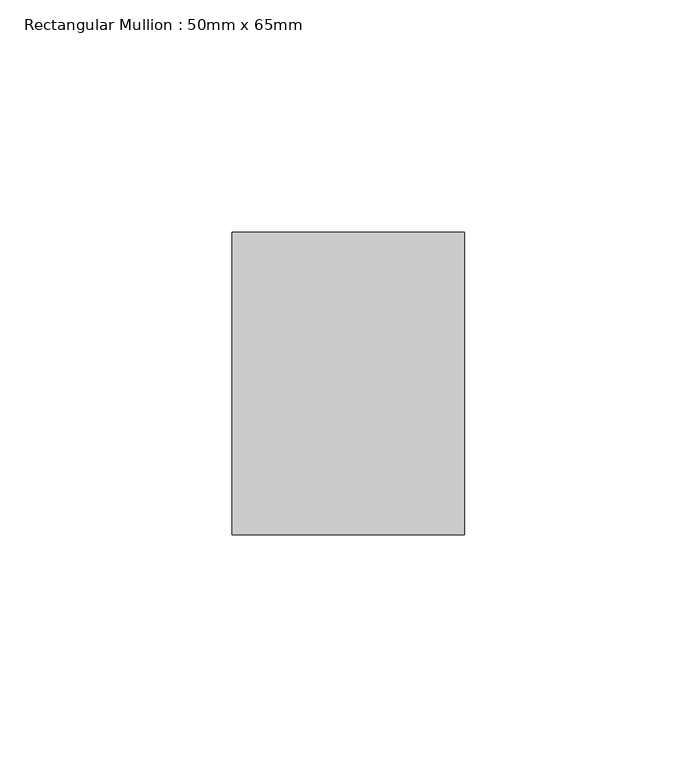
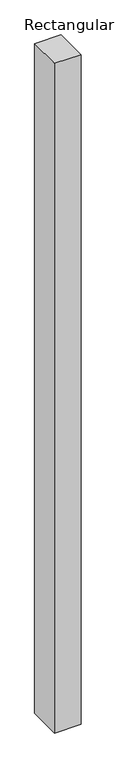
"""IFC4 building model written with IfcOpenShell, lengths in millimetres: member geometry, Rectangular Mullion : 50mm x 65mm."""

import ifcopenshell
import ifcopenshell.guid

model = None  # the IFC model being written
_history = None  # IfcOwnerHistory: only IFC2X3 demands one
_inside = {}  # id of a spatial element -> (the spatial element, [elements in it])
_under = {}  # id of a project, library or spatial element -> (it, [spatial elements below it])
_declared = {}  # id of a project -> (the project, [libraries it declares])
_typed = {}  # id of a type object -> (the type object, [elements of that type])
_made_of = {}  # id of a material, layer set ... -> (it, [elements and type objects made of it])


def new_model(schema):
    """Start an empty IFC model of exactly this schema.

    Asked for "IFC4X3", IfcOpenShell would pick the latest addendum, in which some entities
    have other attributes; the version numbers below select the first issue.
    IFC2X3 requires an IfcOwnerHistory on every rooted entity: one is made here for all.
    """
    global model, _history
    if schema == "IFC4X3":
        model = ifcopenshell.file(schema_version=(4, 3, 0, 0))
    else:
        model = ifcopenshell.file(schema=schema)
    _inside.clear()
    _under.clear()
    _declared.clear()
    _typed.clear()
    _made_of.clear()
    _history = None
    if model.schema == "IFC2X3":
        org = make("IfcOrganization", Name="unknown")
        user = make(
            "IfcPersonAndOrganization",
            ThePerson=make("IfcPerson", FamilyName="unknown"),
            TheOrganization=org,
        )
        app = make(
            "IfcApplication",
            ApplicationDeveloper=org,
            Version="unknown",
            ApplicationFullName="unknown",
            ApplicationIdentifier="unknown",
        )
        _history = make(
            "IfcOwnerHistory",
            OwningUser=user,
            OwningApplication=app,
            ChangeAction="ADDED",
            CreationDate=0,
        )
    return model


def make(cls, **values):
    """One entity of the class cls with the attributes given. An attribute that is None is left unset."""
    return model.create_entity(
        cls, **{name: value for name, value in values.items() if value is not None}
    )


def rooted(cls, **values):
    """An entity with a GlobalId (a new one), such as an element, a storey or a relation."""
    return make(cls, GlobalId=ifcopenshell.guid.new(), OwnerHistory=_history, **values)


def si_unit(unit_type, name, prefix=None):
    """IfcSIUnit, for example si_unit("LENGTHUNIT", "METRE", prefix="MILLI")."""
    return make("IfcSIUnit", UnitType=unit_type, Prefix=prefix, Name=name)


def assignment(units):
    """IfcUnitAssignment: the units of a project."""
    return None if units is None else make("IfcUnitAssignment", Units=units)


def point(xyz):
    """IfcCartesianPoint."""
    return None if xyz is None else make("IfcCartesianPoint", Coordinates=xyz)


def direction(xyz):
    """IfcDirection."""
    return None if xyz is None else make("IfcDirection", DirectionRatios=xyz)


def frame(location, z_axis=None, x_axis=None):
    """IfcAxis2Placement3D, a coordinate frame: its origin and axes. An axis left out is left unset."""
    return make(
        "IfcAxis2Placement3D",
        Location=point(location),
        Axis=direction(z_axis),
        RefDirection=direction(x_axis),
    )


def origin():
    """The frame at (0, 0, 0) with its axes left unset."""
    return frame((0.0, 0.0, 0.0))


def place(relative_to, where):
    """IfcLocalPlacement: puts the frame where relative to a parent placement (None: the world)."""
    return make(
        "IfcLocalPlacement", PlacementRelTo=relative_to, RelativePlacement=where
    )


def context(
    kind, dimensions, precision=None, world=None, true_north=None, identifier=None
):
    """IfcGeometricRepresentationContext, for example the 3D "Model" context."""
    return make(
        "IfcGeometricRepresentationContext",
        ContextIdentifier=identifier,
        ContextType=kind,
        CoordinateSpaceDimension=dimensions,
        Precision=precision,
        WorldCoordinateSystem=world,
        TrueNorth=true_north,
    )


def project(units=None, contexts=None):
    """IfcProject with its units and contexts."""
    return rooted(
        "IfcProject",
        Name="project",
        RepresentationContexts=contexts,
        UnitsInContext=assignment(units),
    )


def spatial(cls, under=None, at=None, **own):
    """A site, building, storey or space (cls), placed at a placement, below another one or the project."""
    s = rooted(cls, ObjectPlacement=at, **own)
    if under is not None:
        _under.setdefault(under.id(), (under, []))[1].append(s)
    return s


def polyline(points):
    """IfcPolyline through the points."""
    return make("IfcPolyline", Points=[point(p) for p in points])


def outline(outer, holes=None, kind="AREA"):
    """IfcArbitraryClosedProfileDef: a profile drawn as a closed curve; with holes, ...WithVoids."""
    if holes is None:
        return make("IfcArbitraryClosedProfileDef", ProfileType=kind, OuterCurve=outer)
    return make(
        "IfcArbitraryProfileDefWithVoids",
        ProfileType=kind,
        OuterCurve=outer,
        InnerCurves=holes,
    )


def extrude(swept, where, along, depth):
    """IfcExtrudedAreaSolid: the profile swept, set in the frame where, extruded along a direction by depth."""
    return make(
        "IfcExtrudedAreaSolid",
        SweptArea=swept,
        Position=where,
        ExtrudedDirection=direction(along),
        Depth=depth,
    )


def shape(context_of_items, identifier, shape_type, items):
    """IfcShapeRepresentation: the items that make up one representation, for example the "Body"."""
    return make(
        "IfcShapeRepresentation",
        ContextOfItems=context_of_items,
        RepresentationIdentifier=identifier,
        RepresentationType=shape_type,
        Items=items,
    )


def source(mapping_origin, context_of_items, identifier, shape_type, items):
    """IfcRepresentationMap: a shape defined once, which mapped items show again and again."""
    return make(
        "IfcRepresentationMap",
        MappingOrigin=mapping_origin,
        MappedRepresentation=shape(context_of_items, identifier, shape_type, items),
    )


def transform(
    local_origin,
    x_axis=None,
    y_axis=None,
    z_axis=None,
    scale=None,
    scale2=None,
    scale3=None,
    uniform=True,
):
    """IfcCartesianTransformationOperator3D, or its non-uniform kind. x_axis, y_axis, z_axis: its Axis1, 2, 3."""
    if uniform:
        return make(
            "IfcCartesianTransformationOperator3D",
            Axis1=direction(x_axis),
            Axis2=direction(y_axis),
            LocalOrigin=point(local_origin),
            Scale=scale,
            Axis3=direction(z_axis),
        )
    return make(
        "IfcCartesianTransformationOperator3DnonUniform",
        Axis1=direction(x_axis),
        Axis2=direction(y_axis),
        LocalOrigin=point(local_origin),
        Scale=scale,
        Axis3=direction(z_axis),
        Scale2=scale2,
        Scale3=scale3,
    )


def mapped(mapping_source, mapping_target):
    """IfcMappedItem: shows the shape of a source again, moved by a transform."""
    return make(
        "IfcMappedItem", MappingSource=mapping_source, MappingTarget=mapping_target
    )


def made_of(thing, what):
    """Note that an element or type object is made of a material, layer set ...; save() writes the relation."""
    if what is not None:
        _made_of.setdefault(what.id(), (what, []))[1].append(thing)
    return thing


def element(
    cls,
    number,
    at=None,
    inside=None,
    cuts=None,
    type_object=None,
    material=None,
    context=None,
    identifier="Body",
    shape_type=None,
    held_by="IfcProductDefinitionShape",
    body=None,
    shapes=None,
    **own,
):
    """One element of the class cls, such as IfcWall. Its Tag is "e" and its number.

    at: its placement. inside: the storey or other place that contains it. cuts: it is an
    opening in that element (IfcRelVoidsElement). A single representation is given by context,
    identifier, shape_type and body (its items); several are given by shapes. held_by: the class
    of the entity that holds the representations. save() writes the other relations.
    """
    e = rooted(cls, Tag="e%d" % number, ObjectPlacement=at, **own)
    if body is not None:
        shapes = [shape(context, identifier, shape_type, body)]
    if shapes is not None:
        e.Representation = make(held_by, Representations=shapes)
    if inside is not None:
        _inside.setdefault(inside.id(), (inside, []))[1].append(e)
    if cuts is not None:
        rooted(
            "IfcRelVoidsElement", RelatingBuildingElement=cuts, RelatedOpeningElement=e
        )
    if type_object is not None:
        _typed.setdefault(type_object.id(), (type_object, []))[1].append(e)
    return made_of(e, material)


def aggregate(whole, parts):
    """IfcRelAggregates: a whole, such as a stair, and the parts it consists of."""
    return rooted("IfcRelAggregates", RelatingObject=whole, RelatedObjects=parts)


def save(model, path):
    """Write the relations noted so far, then the file.

    IfcRelAggregates (storeys below a building ...), IfcRelContainedInSpatialStructure (elements
    in a storey), IfcRelDefinesByType, IfcRelAssociatesMaterial and IfcRelDeclares: one each for
    every whole, place, type object, material and project.
    """
    for whole, parts in _under.values():
        aggregate(whole, parts)
    for where, things in _inside.values():
        rooted(
            "IfcRelContainedInSpatialStructure",
            RelatedElements=things,
            RelatingStructure=where,
        )
    for kind, things in _typed.values():
        rooted("IfcRelDefinesByType", RelatedObjects=things, RelatingType=kind)
    for what, things in _made_of.values():
        rooted("IfcRelAssociatesMaterial", RelatedObjects=things, RelatingMaterial=what)
    for by, libraries in _declared.values():
        rooted("IfcRelDeclares", RelatingContext=by, RelatedDefinitions=libraries)
    model.write(path)


def rectangular_mullion_50mm_x_65mm_8e417aa2(model_context):
    return source(origin(), model_context, "Body", "SweptSolid", [
        extrude(outline(polyline([(25.0, 32.5), (25.0, -32.5), (-25.0, -32.5), (-25.0, 32.5), (25.0, 32.5)])), frame((0.0, 0.0, -1337.4795008), z_axis=(0.0, 0.0, 1.0), x_axis=(1.0, 0.0, 0.0)), (0.0, 0.0, 1.0), 1337.4795008),
    ])


if __name__ == "__main__":
    model = new_model("IFC4")
    model_context = context("Model", 3, world=origin())
    ifc_project = project(units=[si_unit("LENGTHUNIT", "METRE", prefix="MILLI")], contexts=[model_context])
    site = spatial("IfcSite", under=ifc_project)
    building = spatial("IfcBuilding", under=site)
    placement = place(None, origin())
    rectangular_mullion_50mm_x_65mm_shape = rectangular_mullion_50mm_x_65mm_8e417aa2(model_context)
    element("IfcMember", 1, ObjectType="Rectangular Mullion : 50mm x 65mm", at=placement, inside=building, context=model_context, shape_type="MappedRepresentation", body=[
        mapped(rectangular_mullion_50mm_x_65mm_shape, transform((0.0, 0.0, 0.0), x_axis=(1.0, 0.0, 0.0), y_axis=(0.0, 1.0, 0.0), z_axis=(0.0, 0.0, 1.0))),
    ])
    save(model, "model.ifc")
